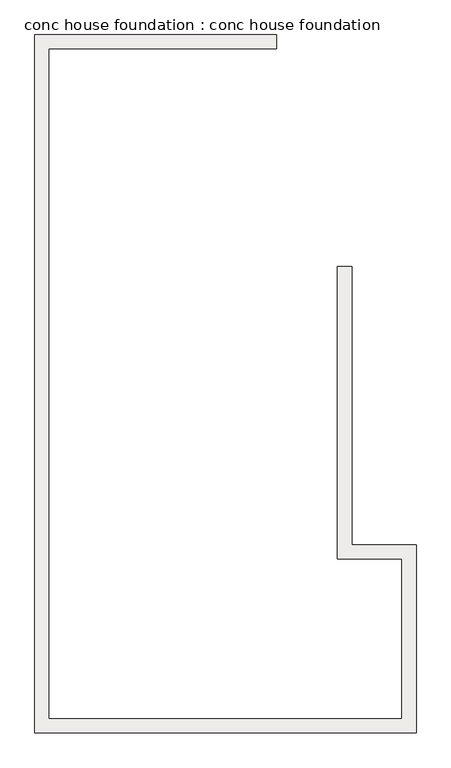
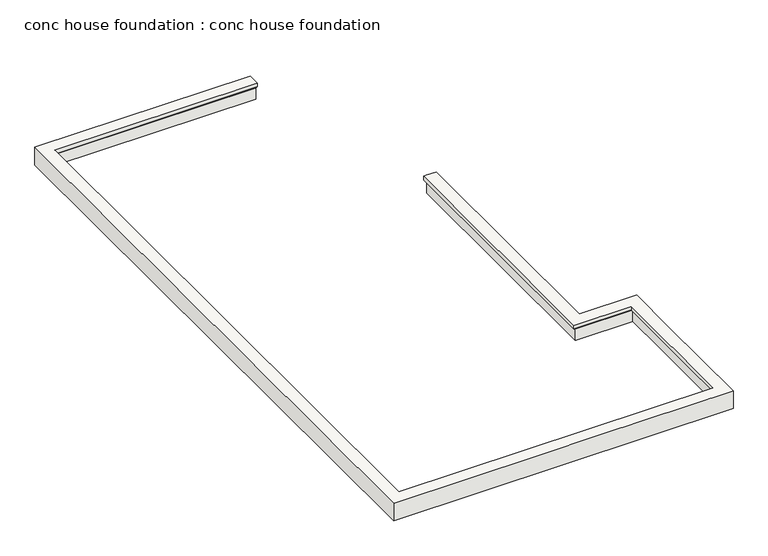
"""IFC4 building model written with IfcOpenShell, lengths in millimetres: slab geometry, conc house foundation : conc house foundation."""

from ifc_helpers import new_model, si_unit, origin, place, context, project, spatial, faceted_brep, source, transform, mapped, element, save


def conc_house_foundation_conc_house_foundation_4b5cc5aa(model_context):
    return source(origin(), model_context, "Body", "Brep", [
        faceted_brep([(-6364.3948603, 10406.3006732, -609.6), (-6364.3948603, 10406.3006732, 0.0), (-6364.3948603, 9999.9006732, 0.0), (-6364.3948603, 9999.9006732, -127.0), (-6364.3948603, 10101.5006732, -228.6), (-6364.3948603, 10101.5006732, -609.6), (-13349.3948603, 10406.3006732, -609.6), (-13349.3948603, 10406.3006732, 0.0), (-13349.3948603, -9742.9534666, 0.0), (-8640.8698603, -9742.9534666, 0.0), (-6659.6698603, -9742.9534666, 0.0), (-2335.304771, -9742.9534666, 0.0), (-2335.304771, -7964.4871349, 0.0), (-2335.304771, -6084.8871349, 0.0), (-2335.304771, -4320.4993774, 0.0), (-4195.8698603, -4320.4993774, 0.0), (-4195.8698603, 3430.8251285, 0.0), (-4195.8698603, 3634.0251285, 0.0), (-4195.8698603, 3719.0465334, 0.0), (-4522.8948603, 3719.0465334, 0.0), (-4602.2698603, 3719.0465334, 0.0), (-4602.2698603, -4726.8993774, 0.0), (-2741.704771, -4726.8993774, 0.0), (-2741.704771, -6084.8871349, 0.0), (-2741.704771, -7964.4871349, 0.0), (-2741.704771, -9336.5534666, 0.0), (-12942.9948603, -9336.5534666, 0.0), (-12942.9948603, 9999.9006732, 0.0), (-6465.9948603, 9999.9006732, 0.0), (-12942.9948603, 9999.9006732, -127.0), (-6465.9948603, 9999.9006732, -127.0), (-13044.5948603, 10101.5006732, -228.6), (-13044.5948603, 10101.5006732, -609.6), (-13044.5948603, -9438.1534666, -609.6), (-2640.104771, -9438.1534666, -609.6), (-2640.104771, -7964.4871349, -609.6), (-2640.104771, -6084.8871349, -609.6), (-2640.104771, -4625.2993774, -609.6), (-4500.6698603, -4625.2993774, -609.6), (-4500.6698603, 3719.0465334, -609.6), (-4421.2948603, 3719.0465334, -609.6), (-4195.8698603, 3719.0465334, -609.6), (-4195.8698603, 3430.8251285, -609.6), (-4195.8698603, -4320.4993774, -609.6), (-2335.304771, -4320.4993774, -609.6), (-2335.304771, -6084.8871349, -609.6), (-2335.304771, -7964.4871349, -609.6), (-2335.304771, -9742.9534666, -609.6), (-13349.3948603, -9742.9534666, -609.6), (-12942.9948603, -9336.5534666, -127.0), (-13044.5948603, -9438.1534666, -228.6), (-2741.704771, -9336.5534666, -127.0), (-2640.104771, -9438.1534666, -228.6), (-2741.704771, -4726.8993774, -127.0), (-2741.704771, -6084.8871349, -127.0), (-2741.704771, -7964.4871349, -127.0), (-2640.104771, -4625.2993774, -228.6), (-2640.104771, -6084.8871349, -228.6), (-2640.104771, -7964.4871349, -228.6), (-4602.2698603, -4726.8993774, -127.0), (-4500.6698603, -4625.2993774, -228.6), (-4195.8698603, 3719.0465334, -152.4), (-4500.6698603, 3719.0465334, -228.6), (-4602.2698603, 3719.0465334, -127.0)], [[[0, 1, 2, 3, 4, 5]], [[1, 0, 6, 7]], [[2, 1, 7, 8, 9, 10, 11, 12, 13, 14, 15, 16, 17, 18, 19, 20, 21, 22, 23, 24, 25, 26, 27, 28]], [[3, 2, 28, 27, 29, 30]], [[4, 3, 30, 29, 31]], [[5, 4, 31, 32]], [[0, 5, 32, 33, 34, 35, 36, 37, 38, 39, 40, 41, 42, 43, 44, 45, 46, 47, 48, 6]], [[7, 6, 48, 8]], [[27, 26, 49, 29]], [[31, 29, 49, 50]], [[32, 31, 50, 33]], [[11, 10, 9, 8, 48, 47]], [[26, 25, 51, 49]], [[50, 49, 51, 52]], [[34, 33, 50, 52]], [[14, 13, 12, 11, 47, 46, 45, 44]], [[25, 24, 23, 22, 53, 54, 55, 51]], [[52, 51, 55, 54, 53, 56, 57, 58]], [[37, 36, 35, 34, 52, 58, 57, 56]], [[15, 14, 44, 43]], [[22, 21, 59, 53]], [[56, 53, 59, 60]], [[38, 37, 56, 60]], [[20, 19, 18, 61, 41, 40, 39, 62, 63]], [[15, 43, 42, 41, 61, 18, 17, 16]], [[21, 20, 63, 59]], [[60, 59, 63, 62]], [[39, 38, 60, 62]]]),
    ])


if __name__ == "__main__":
    model = new_model("IFC4")
    model_context = context("Model", 3, world=origin())
    ifc_project = project(units=[si_unit("LENGTHUNIT", "METRE", prefix="MILLI")], contexts=[model_context])
    site = spatial("IfcSite", under=ifc_project)
    building = spatial("IfcBuilding", under=site)
    placement = place(None, origin())
    conc_house_foundation_conc_house_foundation_shape = conc_house_foundation_conc_house_foundation_4b5cc5aa(model_context)
    element("IfcSlab", 1, ObjectType="conc house foundation : conc house foundation", at=placement, inside=building, context=model_context, shape_type="MappedRepresentation", body=[
        mapped(conc_house_foundation_conc_house_foundation_shape, transform((0.0, 0.0, 0.0), x_axis=(1.0, 0.0, 0.0), y_axis=(0.0, 1.0, 0.0), z_axis=(0.0, 0.0, 1.0))),
    ])
    save(model, "model.ifc")
